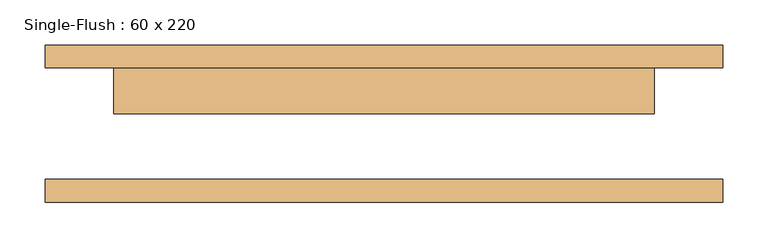
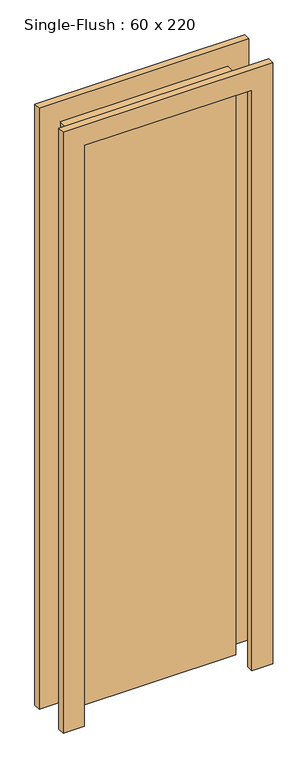
"""IFC4 building model written with IfcOpenShell, lengths in millimetres: door geometry, Single-Flush : 60 x 220."""

from ifc_helpers import new_model, si_unit, frame, origin, origin_with_axes, place, context, project, spatial, polyline, outline, extrude, source, transform, mapped, element, save


def single_flush_60_x_220_fc612183(model_context):
    return source(origin(), model_context, "Body", "SweptSolid", [
        extrude(outline(polyline([(2276.2, -376.2), (0.0, -376.2), (0.0, -300.0), (2200.0, -300.0), (2200.0, 300.0), (0.0, 300.0), (0.0, 376.2), (2276.2, 376.2), (2276.2, -376.2)])), frame((0.0, 61.9125, 0.0), z_axis=(0.0, 1.0, 0.0), x_axis=(0.0, 0.0, 1.0)), (0.0, 0.0, 1.0), 25.4),
        extrude(outline(polyline([(2276.2, 376.2), (2276.2, -376.2), (0.0, -376.2), (0.0, -300.0), (2200.0, -300.0), (2200.0, 300.0), (0.0, 300.0), (0.0, 376.2), (2276.2, 376.2)])), frame((0.0, -87.3125, 0.0), z_axis=(0.0, 1.0, 0.0), x_axis=(0.0, 0.0, 1.0)), (0.0, 0.0, 1.0), 25.4),
        extrude(outline(polyline([(300.0, 11.1125), (-300.0, 11.1125), (-300.0, 61.9125), (300.0, 61.9125), (300.0, 11.1125)])), origin_with_axes(), (0.0, 0.0, 1.0), 2200.0),
    ])


if __name__ == "__main__":
    model = new_model("IFC4")
    model_context = context("Model", 3, world=origin())
    ifc_project = project(units=[si_unit("LENGTHUNIT", "METRE", prefix="MILLI")], contexts=[model_context])
    site = spatial("IfcSite", under=ifc_project)
    building = spatial("IfcBuilding", under=site)
    placement = place(None, origin())
    single_flush_60_x_220_shape = single_flush_60_x_220_fc612183(model_context)
    element("IfcDoor", 1, ObjectType="Single-Flush : 60 x 220", at=placement, inside=building, context=model_context, shape_type="MappedRepresentation", body=[
        mapped(single_flush_60_x_220_shape, transform((0.0, 0.0, 0.0), x_axis=(1.0, 0.0, 0.0), y_axis=(0.0, 1.0, 0.0), z_axis=(0.0, 0.0, 1.0))),
    ])
    save(model, "model.ifc")
